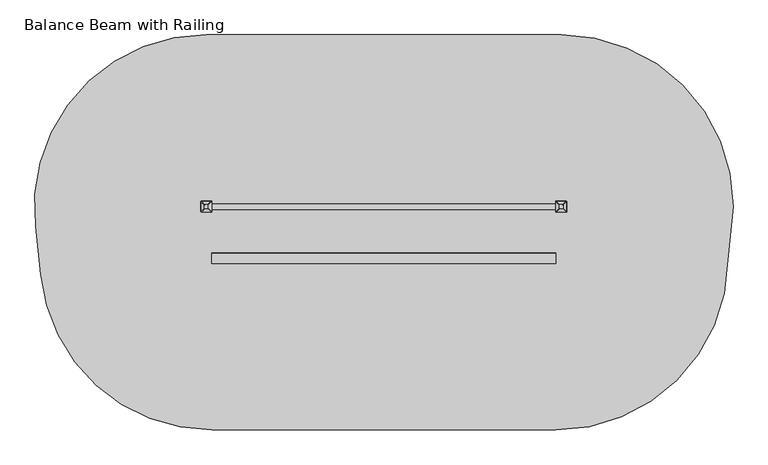
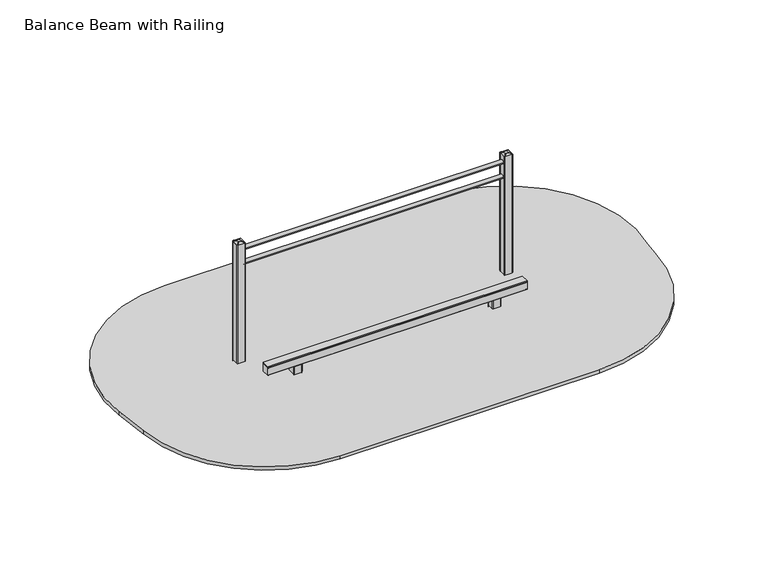
"""IFC4 building model written with IfcOpenShell, lengths in millimetres: furniture geometry, Balance Beam with Railing."""

from ifc_helpers import new_model, si_unit, point, frame, frame_2d, origin, place, context, project, spatial, polyline, circle_curve, trimmed, segment, composite_curve, outline, extrude, source, transform, mapped, element, save
from ifc_brep_helpers import plane_surface, cylinder_surface, extruded_surface, advanced_brep


def balance_beam_with_railing_280afe4c(model_context):
    return source(origin(), model_context, "Body", "SolidModel", [
        extrude(outline(composite_curve([segment(trimmed(circle_curve(frame_2d((-1107.5, -287.5)), 5.0), [point((-1102.5, -287.5))], [point((-1107.5, -292.5))], False, "CARTESIAN"), True, "CONTINUOUS"), segment(polyline([(-1107.5, -292.5), (-1192.5, -292.5)]), True, "CONTINUOUS"), segment(trimmed(circle_curve(frame_2d((-1192.5, -287.5)), 5.0), [point((-1192.5, -292.5))], [point((-1197.5, -287.5))], False, "CARTESIAN"), True, "CONTINUOUS"), segment(polyline([(-1197.5, -287.5), (-1197.5, -202.5)]), True, "CONTINUOUS"), segment(trimmed(circle_curve(frame_2d((-1192.5, -202.5)), 5.0), [point((-1197.5, -202.5))], [point((-1192.5, -197.5))], False, "CARTESIAN"), True, "CONTINUOUS"), segment(polyline([(-1192.5, -197.5), (-1107.5, -197.5)]), True, "CONTINUOUS"), segment(trimmed(circle_curve(frame_2d((-1107.5, -202.5)), 5.0), [point((-1107.5, -197.5))], [point((-1102.5, -202.5))], False, "CARTESIAN"), True, "CONTINUOUS"), segment(polyline([(-1102.5, -202.5), (-1102.5, -287.5)]), True, "CONTINUOUS")], self_intersect=False)), frame((0.0, 0.0, -599.9999847), z_axis=(0.0, 0.0, 1.0), x_axis=(1.0, 0.0, 0.0)), (0.0, 0.0, 1.0), 500.0),
        advanced_brep(
        [(-1060.0, -95.0, -599.9999847), (-1000.0, -155.0, -599.9999847), (-1000.0, -335.0, -599.9999847), (-1060.0, -395.0, -599.9999847), (-1240.0, -395.0, -599.9999847), (-1300.0, -335.0, -599.9999847), (-1300.0, -155.0, -599.9999847), (-1240.0, -95.0, -599.9999847), (-1240.0, -95.0, -459.9999847), (-1060.0, -95.0, -459.9999847), (-1300.0, -335.0, -459.9999847), (-1300.0, -155.0, -459.9999847), (-1060.0, -395.0, -459.9999847), (-1240.0, -395.0, -459.9999847), (-1000.0, -155.0, -459.9999847), (-1000.0, -335.0, -459.9999847), (-1162.2959549, -172.3010597, -249.9999847), (-1222.2959549, -232.3010597, -249.9999847), (-1222.2959549, -257.6989403, -249.9999847), (-1162.2959549, -317.6989403, -249.9999847), (-1137.7040451, -317.6989403, -249.9999847), (-1077.7040451, -257.6989403, -249.9999847), (-1077.7040451, -232.3010597, -249.9999847), (-1137.7040451, -172.3010597, -249.9999847)],
        [
            (0, 1, circle_curve(frame((-1060.0, -155.0, -599.9999847), z_axis=(0.0, 0.0, -1.0), x_axis=(1.0, 0.0, 0.0)), 60.0)),
            (1, 2),
            (2, 3, circle_curve(frame((-1060.0, -335.0, -599.9999847), z_axis=(0.0, 0.0, -1.0), x_axis=(1.0, 0.0, 0.0)), 60.0)),
            (3, 4),
            (4, 5, circle_curve(frame((-1240.0, -335.0, -599.9999847), z_axis=(0.0, 0.0, -1.0), x_axis=(1.0, 0.0, 0.0)), 60.0)),
            (5, 6),
            (6, 7, circle_curve(frame((-1240.0, -155.0, -599.9999847), z_axis=(0.0, 0.0, -1.0), x_axis=(1.0, 0.0, 0.0)), 60.0)),
            (7, 0),
            (7, 8),
            (8, 9),
            (9, 0),
            (5, 10),
            (10, 11),
            (11, 6),
            (3, 12),
            (12, 13),
            (13, 4),
            (1, 14),
            (14, 15),
            (15, 2),
            (16, 17, circle_curve(frame((-1162.2959549, -232.3010597, -249.9999847), z_axis=(0.0, 0.0, 1.0), x_axis=(1.0, 0.0, 0.0)), 60.0)),
            (17, 18),
            (18, 19, circle_curve(frame((-1162.2959549, -257.6989403, -249.9999847), z_axis=(0.0, 0.0, 1.0), x_axis=(1.0, 0.0, 0.0)), 60.0)),
            (19, 20),
            (20, 21, circle_curve(frame((-1137.7040451, -257.6989403, -249.9999847), z_axis=(0.0, 0.0, 1.0), x_axis=(1.0, 0.0, 0.0)), 60.0)),
            (21, 22),
            (22, 23, circle_curve(frame((-1137.7040451, -232.3010597, -249.9999847), z_axis=(0.0, 0.0, 1.0), x_axis=(1.0, 0.0, 0.0)), 60.0)),
            (23, 16),
            (17, 11),
            (10, 18),
            (19, 13),
            (12, 20),
            (21, 15),
            (14, 22),
            (23, 9),
            (8, 16),
            (11, 8, circle_curve(frame((-1240.0, -155.0, -459.9999847), z_axis=(0.0, 0.0, -1.0), x_axis=(1.0, 0.0, 0.0)), 60.0)),
            (13, 10, circle_curve(frame((-1240.0, -335.0, -459.9999847), z_axis=(0.0, 0.0, -1.0), x_axis=(1.0, 0.0, 0.0)), 60.0)),
            (15, 12, circle_curve(frame((-1060.0, -335.0, -459.9999847), z_axis=(0.0, 0.0, -1.0), x_axis=(1.0, 0.0, 0.0)), 60.0)),
            (9, 14, circle_curve(frame((-1060.0, -155.0, -459.9999847), z_axis=(0.0, 0.0, -1.0), x_axis=(1.0, 0.0, 0.0)), 60.0)),
        ],
        [
            plane_surface(frame((-1326.6329682, -95.0, -599.9999847), z_axis=(0.0, 0.0, -1.0), x_axis=(1.0, 0.0, 0.0))),
            plane_surface(frame((-1060.0, -95.0, -459.9999847), z_axis=(0.0, 1.0, 0.0), x_axis=(0.0, 0.0, -1.0))),
            plane_surface(frame((-1300.0, -155.0, -459.9999847), z_axis=(-1.0, 0.0, 0.0), x_axis=(0.0, 0.0, -1.0))),
            plane_surface(frame((-1240.0, -395.0, -459.9999847), z_axis=(0.0, -1.0, 0.0), x_axis=(0.0, 0.0, -1.0))),
            plane_surface(frame((-1000.0, -335.0, -459.9999847), z_axis=(1.0, 0.0, 0.0), x_axis=(0.0, 0.0, -1.0))),
            plane_surface(frame((-1150.0, -245.0, -249.9999847), z_axis=(0.0, 0.0, 1.0), x_axis=(-1.0, 0.0, 0.0))),
            plane_surface(frame((-1300.0, -245.0, -459.9999847), z_axis=(-0.9378559633153523, 0.0, 0.3470247715564883), x_axis=(0.0, -1.0, 0.0))),
            plane_surface(frame((-1150.0, -395.0, -459.9999847), z_axis=(0.0, -0.9384407279810882, 0.3454402988452927), x_axis=(1.0, 0.0, 0.0))),
            plane_surface(frame((-1000.0, -245.0, -459.9999847), z_axis=(0.9378559633153524, 0.0, 0.34702477155648764), x_axis=(0.0, 1.0, 0.0))),
            plane_surface(frame((-1150.0, -95.0, -459.9999847), z_axis=(0.0, 0.9384407279810884, 0.3454402988452924), x_axis=(-1.0, 0.0, 0.0))),
            cylinder_surface(frame((-1240.0, -155.0, -599.9999847), z_axis=(0.0, 0.0, 1.0), x_axis=(1.0, 0.0, 0.0)), 60.0),
            cylinder_surface(frame((-1240.0, -335.0, -599.9999847), z_axis=(0.0, 0.0, 1.0), x_axis=(1.0, 0.0, 0.0)), 60.0),
            cylinder_surface(frame((-1060.0, -335.0, -599.9999847), z_axis=(0.0, 0.0, 1.0), x_axis=(1.0, 0.0, 0.0)), 60.0),
            cylinder_surface(frame((-1060.0, -155.0, -599.9999847), z_axis=(0.0, 0.0, 1.0), x_axis=(1.0, 0.0, 0.0)), 60.0),
            extruded_surface(trimmed(circle_curve(frame((-1240.0, -155.0, -459.9999847), z_axis=(0.0, 0.0, 1.0), x_axis=(1.0, 0.0, 0.0)), 60.0), [point((-1240.0, -95.0, -459.9999847))], [point((-1300.0, -155.0, -459.9999847))], True, "CARTESIAN"), (77.70404510000003, -77.3010597, 210.00000000000003), 236.88261324049475),
            extruded_surface(trimmed(circle_curve(frame((-1060.0, -155.0, -459.9999847), z_axis=(0.0, 0.0, 1.0), x_axis=(1.0, 0.0, 0.0)), 60.0), [point((-1000.0, -155.0, -459.9999847))], [point((-1060.0, -95.0, -459.9999847))], True, "CARTESIAN"), (-77.70404510000003, -77.3010597, 210.00000000000003), 236.88261324049475),
            extruded_surface(trimmed(circle_curve(frame((-1240.0, -335.0, -459.9999847), z_axis=(0.0, 0.0, 1.0), x_axis=(1.0, 0.0, 0.0)), 60.0), [point((-1300.0, -335.0, -459.9999847))], [point((-1240.0, -395.0, -459.9999847))], True, "CARTESIAN"), (77.70404510000003, 77.3010597, 210.00000000000003), 236.88261324049475),
            extruded_surface(trimmed(circle_curve(frame((-1060.0, -335.0, -459.9999847), z_axis=(0.0, 0.0, 1.0), x_axis=(1.0, 0.0, 0.0)), 60.0), [point((-1060.0, -395.0, -459.9999847))], [point((-1000.0, -335.0, -459.9999847))], True, "CARTESIAN"), (-77.70404510000003, 77.3010597, 210.00000000000003), 236.88261324049475),
        ],
        [
            (0, [[1, 2, 3, 4, 5, 6, 7, 8]]),
            (1, [[-8, 9, 10, 11]]),
            (2, [[-6, 12, 13, 14]]),
            (3, [[-4, 15, 16, 17]]),
            (4, [[-2, 18, 19, 20]]),
            (5, [[21, 22, 23, 24, 25, 26, 27, 28]]),
            (6, [[-22, 29, -13, 30]]),
            (7, [[-24, 31, -16, 32]]),
            (8, [[-26, 33, -19, 34]]),
            (9, [[-28, 35, -10, 36]]),
            (10, [[-7, -14, 37, -9]]),
            (11, [[-5, -17, 38, -12]]),
            (12, [[-3, -20, 39, -15]]),
            (13, [[-1, -11, 40, -18]]),
            (14, [[-21, -36, -37, -29]]),
            (15, [[-27, -34, -40, -35]]),
            (16, [[-23, -30, -38, -31]]),
            (17, [[-25, -32, -39, -33]]),
        ],
    ),
        extrude(outline(composite_curve([segment(trimmed(circle_curve(frame_2d((1192.5, -287.5)), 5.0), [point((1197.5, -287.5))], [point((1192.5, -292.5))], False, "CARTESIAN"), True, "CONTINUOUS"), segment(polyline([(1192.5, -292.5), (1107.5, -292.5)]), True, "CONTINUOUS"), segment(trimmed(circle_curve(frame_2d((1107.5, -287.5)), 5.0), [point((1107.5, -292.5))], [point((1102.5, -287.5))], False, "CARTESIAN"), True, "CONTINUOUS"), segment(polyline([(1102.5, -287.5), (1102.5, -202.5)]), True, "CONTINUOUS"), segment(trimmed(circle_curve(frame_2d((1107.5, -202.5)), 5.0), [point((1102.5, -202.5))], [point((1107.5, -197.5))], False, "CARTESIAN"), True, "CONTINUOUS"), segment(polyline([(1107.5, -197.5), (1192.5, -197.5)]), True, "CONTINUOUS"), segment(trimmed(circle_curve(frame_2d((1192.5, -202.5)), 5.0), [point((1192.5, -197.5))], [point((1197.5, -202.5))], False, "CARTESIAN"), True, "CONTINUOUS"), segment(polyline([(1197.5, -202.5), (1197.5, -287.5)]), True, "CONTINUOUS")], self_intersect=False)), frame((0.0, 0.0, -599.9999847), z_axis=(0.0, 0.0, 1.0), x_axis=(1.0, 0.0, 0.0)), (0.0, 0.0, 1.0), 500.0),
        advanced_brep(
        [(1240.0, -95.0, -599.9999847), (1300.0, -155.0, -599.9999847), (1300.0, -335.0, -599.9999847), (1240.0, -395.0, -599.9999847), (1060.0, -395.0, -599.9999847), (1000.0, -335.0, -599.9999847), (1000.0, -155.0, -599.9999847), (1060.0, -95.0, -599.9999847), (1060.0, -95.0, -459.9999847), (1240.0, -95.0, -459.9999847), (1000.0, -335.0, -459.9999847), (1000.0, -155.0, -459.9999847), (1240.0, -395.0, -459.9999847), (1060.0, -395.0, -459.9999847), (1300.0, -155.0, -459.9999847), (1300.0, -335.0, -459.9999847), (1137.7040451, -172.3010597, -249.9999847), (1077.7040451, -232.3010597, -249.9999847), (1077.7040451, -257.6989403, -249.9999847), (1137.7040451, -317.6989403, -249.9999847), (1162.2959549, -317.6989403, -249.9999847), (1222.2959549, -257.6989403, -249.9999847), (1222.2959549, -232.3010597, -249.9999847), (1162.2959549, -172.3010597, -249.9999847)],
        [
            (0, 1, circle_curve(frame((1240.0, -155.0, -599.9999847), z_axis=(0.0, 0.0, -1.0), x_axis=(1.0, 0.0, 0.0)), 60.0)),
            (1, 2),
            (2, 3, circle_curve(frame((1240.0, -335.0, -599.9999847), z_axis=(0.0, 0.0, -1.0), x_axis=(1.0, 0.0, 0.0)), 60.0)),
            (3, 4),
            (4, 5, circle_curve(frame((1060.0, -335.0, -599.9999847), z_axis=(0.0, 0.0, -1.0), x_axis=(1.0, 0.0, 0.0)), 60.0)),
            (5, 6),
            (6, 7, circle_curve(frame((1060.0, -155.0, -599.9999847), z_axis=(0.0, 0.0, -1.0), x_axis=(1.0, 0.0, 0.0)), 60.0)),
            (7, 0),
            (7, 8),
            (8, 9),
            (9, 0),
            (5, 10),
            (10, 11),
            (11, 6),
            (3, 12),
            (12, 13),
            (13, 4),
            (1, 14),
            (14, 15),
            (15, 2),
            (16, 17, circle_curve(frame((1137.7040451, -232.3010597, -249.9999847), z_axis=(0.0, 0.0, 1.0), x_axis=(1.0, 0.0, 0.0)), 60.0)),
            (17, 18),
            (18, 19, circle_curve(frame((1137.7040451, -257.6989403, -249.9999847), z_axis=(0.0, 0.0, 1.0), x_axis=(1.0, 0.0, 0.0)), 60.0)),
            (19, 20),
            (20, 21, circle_curve(frame((1162.2959549, -257.6989403, -249.9999847), z_axis=(0.0, 0.0, 1.0), x_axis=(1.0, 0.0, 0.0)), 60.0)),
            (21, 22),
            (22, 23, circle_curve(frame((1162.2959549, -232.3010597, -249.9999847), z_axis=(0.0, 0.0, 1.0), x_axis=(1.0, 0.0, 0.0)), 60.0)),
            (23, 16),
            (17, 11),
            (10, 18),
            (19, 13),
            (12, 20),
            (21, 15),
            (14, 22),
            (23, 9),
            (8, 16),
            (11, 8, circle_curve(frame((1060.0, -155.0, -459.9999847), z_axis=(0.0, 0.0, -1.0), x_axis=(1.0, 0.0, 0.0)), 60.0)),
            (13, 10, circle_curve(frame((1060.0, -335.0, -459.9999847), z_axis=(0.0, 0.0, -1.0), x_axis=(1.0, 0.0, 0.0)), 60.0)),
            (15, 12, circle_curve(frame((1240.0, -335.0, -459.9999847), z_axis=(0.0, 0.0, -1.0), x_axis=(1.0, 0.0, 0.0)), 60.0)),
            (9, 14, circle_curve(frame((1240.0, -155.0, -459.9999847), z_axis=(0.0, 0.0, -1.0), x_axis=(1.0, 0.0, 0.0)), 60.0)),
        ],
        [
            plane_surface(frame((973.3670318, -95.0, -599.9999847), z_axis=(0.0, 0.0, -1.0), x_axis=(1.0, 0.0, 0.0))),
            plane_surface(frame((1240.0, -95.0, -459.9999847), z_axis=(0.0, 1.0, 0.0), x_axis=(0.0, 0.0, -1.0))),
            plane_surface(frame((1000.0, -155.0, -459.9999847), z_axis=(-1.0, 0.0, 0.0), x_axis=(0.0, 0.0, -1.0))),
            plane_surface(frame((1060.0, -395.0, -459.9999847), z_axis=(0.0, -1.0, 0.0), x_axis=(0.0, 0.0, -1.0))),
            plane_surface(frame((1300.0, -335.0, -459.9999847), z_axis=(1.0, 0.0, 0.0), x_axis=(0.0, 0.0, -1.0))),
            plane_surface(frame((1150.0, -245.0, -249.9999847), z_axis=(0.0, 0.0, 1.0), x_axis=(-1.0, 0.0, 0.0))),
            plane_surface(frame((1000.0, -245.0, -459.9999847), z_axis=(-0.9378559633153523, 0.0, 0.3470247715564883), x_axis=(0.0, -1.0, 0.0))),
            plane_surface(frame((1150.0, -395.0, -459.9999847), z_axis=(0.0, -0.9384407279810882, 0.3454402988452927), x_axis=(1.0, 0.0, 0.0))),
            plane_surface(frame((1300.0, -245.0, -459.9999847), z_axis=(0.9378559633153524, 0.0, 0.34702477155648764), x_axis=(0.0, 1.0, 0.0))),
            plane_surface(frame((1150.0, -95.0, -459.9999847), z_axis=(0.0, 0.9384407279810884, 0.3454402988452924), x_axis=(-1.0, 0.0, 0.0))),
            cylinder_surface(frame((1060.0, -155.0, -599.9999847), z_axis=(0.0, 0.0, 1.0), x_axis=(1.0, 0.0, 0.0)), 60.0),
            cylinder_surface(frame((1060.0, -335.0, -599.9999847), z_axis=(0.0, 0.0, 1.0), x_axis=(1.0, 0.0, 0.0)), 60.0),
            cylinder_surface(frame((1240.0, -335.0, -599.9999847), z_axis=(0.0, 0.0, 1.0), x_axis=(1.0, 0.0, 0.0)), 60.0),
            cylinder_surface(frame((1240.0, -155.0, -599.9999847), z_axis=(0.0, 0.0, 1.0), x_axis=(1.0, 0.0, 0.0)), 60.0),
            extruded_surface(trimmed(circle_curve(frame((1060.0, -155.0, -459.9999847), z_axis=(0.0, 0.0, 1.0), x_axis=(1.0, 0.0, 0.0)), 60.0), [point((1060.0, -95.0, -459.9999847))], [point((1000.0, -155.0, -459.9999847))], True, "CARTESIAN"), (77.70404510000003, -77.3010597, 210.00000000000003), 236.88261324049475),
            extruded_surface(trimmed(circle_curve(frame((1240.0, -155.0, -459.9999847), z_axis=(0.0, 0.0, 1.0), x_axis=(1.0, 0.0, 0.0)), 60.0), [point((1300.0, -155.0, -459.9999847))], [point((1240.0, -95.0, -459.9999847))], True, "CARTESIAN"), (-77.70404510000003, -77.3010597, 210.00000000000003), 236.88261324049475),
            extruded_surface(trimmed(circle_curve(frame((1060.0, -335.0, -459.9999847), z_axis=(0.0, 0.0, 1.0), x_axis=(1.0, 0.0, 0.0)), 60.0), [point((1000.0, -335.0, -459.9999847))], [point((1060.0, -395.0, -459.9999847))], True, "CARTESIAN"), (77.70404510000003, 77.3010597, 210.00000000000003), 236.88261324049475),
            extruded_surface(trimmed(circle_curve(frame((1240.0, -335.0, -459.9999847), z_axis=(0.0, 0.0, 1.0), x_axis=(1.0, 0.0, 0.0)), 60.0), [point((1240.0, -395.0, -459.9999847))], [point((1300.0, -335.0, -459.9999847))], True, "CARTESIAN"), (-77.70404510000003, 77.3010597, 210.00000000000003), 236.88261324049475),
        ],
        [
            (0, [[1, 2, 3, 4, 5, 6, 7, 8]]),
            (1, [[-8, 9, 10, 11]]),
            (2, [[-6, 12, 13, 14]]),
            (3, [[-4, 15, 16, 17]]),
            (4, [[-2, 18, 19, 20]]),
            (5, [[21, 22, 23, 24, 25, 26, 27, 28]]),
            (6, [[-22, 29, -13, 30]]),
            (7, [[-24, 31, -16, 32]]),
            (8, [[-26, 33, -19, 34]]),
            (9, [[-28, 35, -10, 36]]),
            (10, [[-7, -14, 37, -9]]),
            (11, [[-5, -17, 38, -12]]),
            (12, [[-3, -20, 39, -15]]),
            (13, [[-1, -11, 40, -18]]),
            (14, [[-21, -36, -37, -29]]),
            (15, [[-27, -34, -40, -35]]),
            (16, [[-23, -30, -38, -31]]),
            (17, [[-25, -32, -39, -33]]),
        ],
    ),
        advanced_brep(
        [(1565.0, 192.5, 1465.0), (1565.0, 217.5, 1465.0), (1560.0, 222.5, 1465.0), (1535.0, 222.5, 1465.0), (1530.0, 217.5, 1465.0), (1530.0, 192.5, 1465.0), (1535.0, 187.5, 1465.0), (1560.0, 187.5, 1465.0), (1595.0, 162.5, 1450.0), (1590.0, 157.5, 1450.0), (1505.0, 157.5, 1450.0), (1500.0, 162.5, 1450.0), (1500.0, 247.5, 1450.0), (1505.0, 252.5, 1450.0), (1590.0, 252.5, 1450.0), (1595.0, 247.5, 1450.0)],
        [
            (0, 1),
            (1, 2, circle_curve(frame((1560.0, 217.5, 1465.0), z_axis=(0.0, 0.0, 1.0), x_axis=(1.0, 0.0, 0.0)), 5.0)),
            (2, 3),
            (3, 4, circle_curve(frame((1535.0, 217.5, 1465.0), z_axis=(0.0, 0.0, 1.0), x_axis=(1.0, 0.0, 0.0)), 5.0)),
            (4, 5),
            (5, 6, circle_curve(frame((1535.0, 192.5, 1465.0), z_axis=(0.0, 0.0, 1.0), x_axis=(1.0, 0.0, 0.0)), 5.0)),
            (6, 7),
            (7, 0, circle_curve(frame((1560.0, 192.5, 1465.0), z_axis=(0.0, 0.0, 1.0), x_axis=(1.0, 0.0, 0.0)), 5.0)),
            (8, 9, circle_curve(frame((1590.0, 162.5, 1450.0), z_axis=(0.0, 0.0, -1.0), x_axis=(1.0, 0.0, 0.0)), 5.0)),
            (9, 10),
            (10, 11, circle_curve(frame((1505.0, 162.5, 1450.0), z_axis=(0.0, 0.0, -1.0), x_axis=(1.0, 0.0, 0.0)), 5.0)),
            (11, 12),
            (12, 13, circle_curve(frame((1505.0, 247.5, 1450.0), z_axis=(0.0, 0.0, -1.0), x_axis=(1.0, 0.0, 0.0)), 5.0)),
            (13, 14),
            (14, 15, circle_curve(frame((1590.0, 247.5, 1450.0), z_axis=(0.0, 0.0, -1.0), x_axis=(1.0, 0.0, 0.0)), 5.0)),
            (15, 8),
            (15, 1),
            (0, 8),
            (14, 2),
            (13, 3),
            (12, 4),
            (11, 5),
            (10, 6),
            (9, 7),
        ],
        [
            plane_surface(frame((1547.5, 205.0, 1465.0), z_axis=(0.0, 0.0, 1.0), x_axis=(-1.0, 0.0, 0.0))),
            plane_surface(frame((1547.5, 205.0, 1450.0), z_axis=(0.0, 0.0, -1.0), x_axis=(-1.0, 0.0, 0.0))),
            plane_surface(frame((1595.0, 205.0, 1450.0), z_axis=(0.447213595499958, 0.0, 0.894427190999916), x_axis=(0.0, 1.0, 0.0))),
            extruded_surface(trimmed(circle_curve(frame((1590.0, 247.5, 1450.0), z_axis=(0.0, 0.0, 1.0), x_axis=(1.0, 0.0, 0.0)), 5.0), [point((1595.0, 247.5, 1450.0))], [point((1590.0, 252.5, 1450.0))], True, "CARTESIAN"), (-30.0, -30.0, 15.0), 45.0),
            plane_surface(frame((1547.5, 252.5, 1450.0), z_axis=(0.0, 0.447213595499958, 0.894427190999916), x_axis=(-1.0, 0.0, 0.0))),
            extruded_surface(trimmed(circle_curve(frame((1505.0, 247.5, 1450.0), z_axis=(0.0, 0.0, 1.0), x_axis=(1.0, 0.0, 0.0)), 5.0), [point((1505.0, 252.5, 1450.0))], [point((1500.0, 247.5, 1450.0))], True, "CARTESIAN"), (30.0, -30.0, 15.0), 45.0),
            plane_surface(frame((1500.0, 205.0, 1450.0), z_axis=(-0.447213595499958, 0.0, 0.894427190999916), x_axis=(0.0, -1.0, 0.0))),
            extruded_surface(trimmed(circle_curve(frame((1505.0, 162.5, 1450.0), z_axis=(0.0, 0.0, 1.0), x_axis=(1.0, 0.0, 0.0)), 5.0), [point((1500.0, 162.5, 1450.0))], [point((1505.0, 157.5, 1450.0))], True, "CARTESIAN"), (30.0, 30.0, 15.0), 45.0),
            plane_surface(frame((1547.5, 157.5, 1450.0), z_axis=(0.0, -0.447213595499958, 0.894427190999916), x_axis=(1.0, 0.0, 0.0))),
            extruded_surface(trimmed(circle_curve(frame((1590.0, 162.5, 1450.0), z_axis=(0.0, 0.0, 1.0), x_axis=(1.0, 0.0, 0.0)), 5.0), [point((1590.0, 157.5, 1450.0))], [point((1595.0, 162.5, 1450.0))], True, "CARTESIAN"), (-30.0, 30.0, 15.0), 45.0),
        ],
        [
            (0, [[1, 2, 3, 4, 5, 6, 7, 8]]),
            (1, [[9, 10, 11, 12, 13, 14, 15, 16]]),
            (2, [[-16, 17, -1, 18]]),
            (3, [[-15, 19, -2, -17]]),
            (4, [[-14, 20, -3, -19]]),
            (5, [[-13, 21, -4, -20]]),
            (6, [[-12, 22, -5, -21]]),
            (7, [[-11, 23, -6, -22]]),
            (8, [[-10, 24, -7, -23]]),
            (9, [[-9, -18, -8, -24]]),
        ],
    ),
        advanced_brep(
        [(-1530.0, 192.5, 1465.0), (-1530.0, 217.5, 1465.0), (-1535.0, 222.5, 1465.0), (-1560.0, 222.5, 1465.0), (-1565.0, 217.5, 1465.0), (-1565.0, 192.5, 1465.0), (-1560.0, 187.5, 1465.0), (-1535.0, 187.5, 1465.0), (-1500.0, 162.5, 1450.0), (-1505.0, 157.5, 1450.0), (-1590.0, 157.5, 1450.0), (-1595.0, 162.5, 1450.0), (-1595.0, 247.5, 1450.0), (-1590.0, 252.5, 1450.0), (-1505.0, 252.5, 1450.0), (-1500.0, 247.5, 1450.0)],
        [
            (0, 1),
            (1, 2, circle_curve(frame((-1535.0, 217.5, 1465.0), z_axis=(0.0, 0.0, 1.0), x_axis=(1.0, 0.0, 0.0)), 5.0)),
            (2, 3),
            (3, 4, circle_curve(frame((-1560.0, 217.5, 1465.0), z_axis=(0.0, 0.0, 1.0), x_axis=(1.0, 0.0, 0.0)), 5.0)),
            (4, 5),
            (5, 6, circle_curve(frame((-1560.0, 192.5, 1465.0), z_axis=(0.0, 0.0, 1.0), x_axis=(1.0, 0.0, 0.0)), 5.0)),
            (6, 7),
            (7, 0, circle_curve(frame((-1535.0, 192.5, 1465.0), z_axis=(0.0, 0.0, 1.0), x_axis=(1.0, 0.0, 0.0)), 5.0)),
            (8, 9, circle_curve(frame((-1505.0, 162.5, 1450.0), z_axis=(0.0, 0.0, -1.0), x_axis=(1.0, 0.0, 0.0)), 5.0)),
            (9, 10),
            (10, 11, circle_curve(frame((-1590.0, 162.5, 1450.0), z_axis=(0.0, 0.0, -1.0), x_axis=(1.0, 0.0, 0.0)), 5.0)),
            (11, 12),
            (12, 13, circle_curve(frame((-1590.0, 247.5, 1450.0), z_axis=(0.0, 0.0, -1.0), x_axis=(1.0, 0.0, 0.0)), 5.0)),
            (13, 14),
            (14, 15, circle_curve(frame((-1505.0, 247.5, 1450.0), z_axis=(0.0, 0.0, -1.0), x_axis=(1.0, 0.0, 0.0)), 5.0)),
            (15, 8),
            (15, 1),
            (0, 8),
            (14, 2),
            (13, 3),
            (12, 4),
            (11, 5),
            (10, 6),
            (9, 7),
        ],
        [
            plane_surface(frame((-1547.5, 205.0, 1465.0), z_axis=(0.0, 0.0, 1.0), x_axis=(-1.0, 0.0, 0.0))),
            plane_surface(frame((-1547.5, 205.0, 1450.0), z_axis=(0.0, 0.0, -1.0), x_axis=(-1.0, 0.0, 0.0))),
            plane_surface(frame((-1500.0, 205.0, 1450.0), z_axis=(0.447213595499958, 0.0, 0.894427190999916), x_axis=(0.0, 1.0, 0.0))),
            extruded_surface(trimmed(circle_curve(frame((-1505.0, 247.5, 1450.0), z_axis=(0.0, 0.0, 1.0), x_axis=(1.0, 0.0, 0.0)), 5.0), [point((-1500.0, 247.5, 1450.0))], [point((-1505.0, 252.5, 1450.0))], True, "CARTESIAN"), (-30.0, -30.0, 15.0), 45.0),
            plane_surface(frame((-1547.5, 252.5, 1450.0), z_axis=(0.0, 0.447213595499958, 0.894427190999916), x_axis=(-1.0, 0.0, 0.0))),
            extruded_surface(trimmed(circle_curve(frame((-1590.0, 247.5, 1450.0), z_axis=(0.0, 0.0, 1.0), x_axis=(1.0, 0.0, 0.0)), 5.0), [point((-1590.0, 252.5, 1450.0))], [point((-1595.0, 247.5, 1450.0))], True, "CARTESIAN"), (30.0, -30.0, 15.0), 45.0),
            plane_surface(frame((-1595.0, 205.0, 1450.0), z_axis=(-0.447213595499958, 0.0, 0.894427190999916), x_axis=(0.0, -1.0, 0.0))),
            extruded_surface(trimmed(circle_curve(frame((-1590.0, 162.5, 1450.0), z_axis=(0.0, 0.0, 1.0), x_axis=(1.0, 0.0, 0.0)), 5.0), [point((-1595.0, 162.5, 1450.0))], [point((-1590.0, 157.5, 1450.0))], True, "CARTESIAN"), (30.0, 30.0, 15.0), 45.0),
            plane_surface(frame((-1547.5, 157.5, 1450.0), z_axis=(0.0, -0.447213595499958, 0.894427190999916), x_axis=(1.0, 0.0, 0.0))),
            extruded_surface(trimmed(circle_curve(frame((-1505.0, 162.5, 1450.0), z_axis=(0.0, 0.0, 1.0), x_axis=(1.0, 0.0, 0.0)), 5.0), [point((-1505.0, 157.5, 1450.0))], [point((-1500.0, 162.5, 1450.0))], True, "CARTESIAN"), (-30.0, 30.0, 15.0), 45.0),
        ],
        [
            (0, [[1, 2, 3, 4, 5, 6, 7, 8]]),
            (1, [[9, 10, 11, 12, 13, 14, 15, 16]]),
            (2, [[-16, 17, -1, 18]]),
            (3, [[-15, 19, -2, -17]]),
            (4, [[-14, 20, -3, -19]]),
            (5, [[-13, 21, -4, -20]]),
            (6, [[-12, 22, -5, -21]]),
            (7, [[-11, 23, -6, -22]]),
            (8, [[-10, 24, -7, -23]]),
            (9, [[-9, -18, -8, -24]]),
        ],
    ),
        extrude(outline(composite_curve([segment(trimmed(circle_curve(frame_2d((1590.0, 162.5)), 5.0), [point((1595.0, 162.5))], [point((1590.0, 157.5))], False, "CARTESIAN"), True, "CONTINUOUS"), segment(polyline([(1590.0, 157.5), (1505.0, 157.5)]), True, "CONTINUOUS"), segment(trimmed(circle_curve(frame_2d((1505.0, 162.5)), 5.0), [point((1505.0, 157.5))], [point((1500.0, 162.5))], False, "CARTESIAN"), True, "CONTINUOUS"), segment(polyline([(1500.0, 162.5), (1500.0, 247.5)]), True, "CONTINUOUS"), segment(trimmed(circle_curve(frame_2d((1505.0, 247.5)), 5.0), [point((1500.0, 247.5))], [point((1505.0, 252.5))], False, "CARTESIAN"), True, "CONTINUOUS"), segment(polyline([(1505.0, 252.5), (1590.0, 252.5)]), True, "CONTINUOUS"), segment(trimmed(circle_curve(frame_2d((1590.0, 247.5)), 5.0), [point((1590.0, 252.5))], [point((1595.0, 247.5))], False, "CARTESIAN"), True, "CONTINUOUS"), segment(polyline([(1595.0, 247.5), (1595.0, 162.5)]), True, "CONTINUOUS")], self_intersect=False)), frame((0.0, 0.0, -599.9999847), z_axis=(0.0, 0.0, 1.0), x_axis=(1.0, 0.0, 0.0)), (0.0, 0.0, 1.0), 500.0),
        advanced_brep(
        [(1637.5, 355.0, -599.9999847), (1697.5, 295.0, -599.9999847), (1697.5, 115.0, -599.9999847), (1637.5, 55.0, -599.9999847), (1457.5, 55.0, -599.9999847), (1397.5, 115.0, -599.9999847), (1397.5, 295.0, -599.9999847), (1457.5, 355.0, -599.9999847), (1457.5, 355.0, -459.9999847), (1637.5, 355.0, -459.9999847), (1397.5, 115.0, -459.9999847), (1397.5, 295.0, -459.9999847), (1637.5, 55.0, -459.9999847), (1457.5, 55.0, -459.9999847), (1697.5, 295.0, -459.9999847), (1697.5, 115.0, -459.9999847), (1535.2040451, 277.6989403, -249.9999847), (1475.2040451, 217.6989403, -249.9999847), (1475.2040451, 192.3010597, -249.9999847), (1535.2040451, 132.3010597, -249.9999847), (1559.7959549, 132.3010597, -249.9999847), (1619.7959549, 192.3010597, -249.9999847), (1619.7959549, 217.6989403, -249.9999847), (1559.7959549, 277.6989403, -249.9999847)],
        [
            (0, 1, circle_curve(frame((1637.5, 295.0, -599.9999847), z_axis=(0.0, 0.0, -1.0), x_axis=(1.0, 0.0, 0.0)), 60.0)),
            (1, 2),
            (2, 3, circle_curve(frame((1637.5, 115.0, -599.9999847), z_axis=(0.0, 0.0, -1.0), x_axis=(1.0, 0.0, 0.0)), 60.0)),
            (3, 4),
            (4, 5, circle_curve(frame((1457.5, 115.0, -599.9999847), z_axis=(0.0, 0.0, -1.0), x_axis=(1.0, 0.0, 0.0)), 60.0)),
            (5, 6),
            (6, 7, circle_curve(frame((1457.5, 295.0, -599.9999847), z_axis=(0.0, 0.0, -1.0), x_axis=(1.0, 0.0, 0.0)), 60.0)),
            (7, 0),
            (7, 8),
            (8, 9),
            (9, 0),
            (5, 10),
            (10, 11),
            (11, 6),
            (3, 12),
            (12, 13),
            (13, 4),
            (1, 14),
            (14, 15),
            (15, 2),
            (16, 17, circle_curve(frame((1535.2040451, 217.6989403, -249.9999847), z_axis=(0.0, 0.0, 1.0), x_axis=(1.0, 0.0, 0.0)), 60.0)),
            (17, 18),
            (18, 19, circle_curve(frame((1535.2040451, 192.3010597, -249.9999847), z_axis=(0.0, 0.0, 1.0), x_axis=(1.0, 0.0, 0.0)), 60.0)),
            (19, 20),
            (20, 21, circle_curve(frame((1559.7959549, 192.3010597, -249.9999847), z_axis=(0.0, 0.0, 1.0), x_axis=(1.0, 0.0, 0.0)), 60.0)),
            (21, 22),
            (22, 23, circle_curve(frame((1559.7959549, 217.6989403, -249.9999847), z_axis=(0.0, 0.0, 1.0), x_axis=(1.0, 0.0, 0.0)), 60.0)),
            (23, 16),
            (17, 11),
            (10, 18),
            (19, 13),
            (12, 20),
            (21, 15),
            (14, 22),
            (23, 9),
            (8, 16),
            (11, 8, circle_curve(frame((1457.5, 295.0, -459.9999847), z_axis=(0.0, 0.0, -1.0), x_axis=(1.0, 0.0, 0.0)), 60.0)),
            (13, 10, circle_curve(frame((1457.5, 115.0, -459.9999847), z_axis=(0.0, 0.0, -1.0), x_axis=(1.0, 0.0, 0.0)), 60.0)),
            (15, 12, circle_curve(frame((1637.5, 115.0, -459.9999847), z_axis=(0.0, 0.0, -1.0), x_axis=(1.0, 0.0, 0.0)), 60.0)),
            (9, 14, circle_curve(frame((1637.5, 295.0, -459.9999847), z_axis=(0.0, 0.0, -1.0), x_axis=(1.0, 0.0, 0.0)), 60.0)),
        ],
        [
            plane_surface(frame((1370.8670318, 355.0, -599.9999847), z_axis=(0.0, 0.0, -1.0), x_axis=(1.0, 0.0, 0.0))),
            plane_surface(frame((1637.5, 355.0, -459.9999847), z_axis=(0.0, 1.0, 0.0), x_axis=(0.0, 0.0, -1.0))),
            plane_surface(frame((1397.5, 295.0, -459.9999847), z_axis=(-1.0, 0.0, 0.0), x_axis=(0.0, 0.0, -1.0))),
            plane_surface(frame((1457.5, 55.0, -459.9999847), z_axis=(0.0, -1.0, 0.0), x_axis=(0.0, 0.0, -1.0))),
            plane_surface(frame((1697.5, 115.0, -459.9999847), z_axis=(1.0, 0.0, 0.0), x_axis=(0.0, 0.0, -1.0))),
            plane_surface(frame((1547.5, 205.0, -249.9999847), z_axis=(0.0, 0.0, 1.0), x_axis=(-1.0, 0.0, 0.0))),
            plane_surface(frame((1397.5, 205.0, -459.9999847), z_axis=(-0.9378559633153523, 0.0, 0.3470247715564883), x_axis=(0.0, -1.0, 0.0))),
            plane_surface(frame((1547.5, 55.0, -459.9999847), z_axis=(0.0, -0.9384407279810882, 0.3454402988452927), x_axis=(1.0, 0.0, 0.0))),
            plane_surface(frame((1697.5, 205.0, -459.9999847), z_axis=(0.9378559633153524, 0.0, 0.34702477155648764), x_axis=(0.0, 1.0, 0.0))),
            plane_surface(frame((1547.5, 355.0, -459.9999847), z_axis=(0.0, 0.9384407279810884, 0.3454402988452924), x_axis=(-1.0, 0.0, 0.0))),
            cylinder_surface(frame((1457.5, 295.0, -599.9999847), z_axis=(0.0, 0.0, 1.0), x_axis=(1.0, 0.0, 0.0)), 60.0),
            cylinder_surface(frame((1457.5, 115.0, -599.9999847), z_axis=(0.0, 0.0, 1.0), x_axis=(1.0, 0.0, 0.0)), 60.0),
            cylinder_surface(frame((1637.5, 115.0, -599.9999847), z_axis=(0.0, 0.0, 1.0), x_axis=(1.0, 0.0, 0.0)), 60.0),
            cylinder_surface(frame((1637.5, 295.0, -599.9999847), z_axis=(0.0, 0.0, 1.0), x_axis=(1.0, 0.0, 0.0)), 60.0),
            extruded_surface(trimmed(circle_curve(frame((1457.5, 295.0, -459.9999847), z_axis=(0.0, 0.0, 1.0), x_axis=(1.0, 0.0, 0.0)), 60.0), [point((1457.5, 355.0, -459.9999847))], [point((1397.5, 295.0, -459.9999847))], True, "CARTESIAN"), (77.70404510000003, -77.3010597, 210.00000000000003), 236.88261324049475),
            extruded_surface(trimmed(circle_curve(frame((1637.5, 295.0, -459.9999847), z_axis=(0.0, 0.0, 1.0), x_axis=(1.0, 0.0, 0.0)), 60.0), [point((1697.5, 295.0, -459.9999847))], [point((1637.5, 355.0, -459.9999847))], True, "CARTESIAN"), (-77.70404510000003, -77.3010597, 210.00000000000003), 236.88261324049475),
            extruded_surface(trimmed(circle_curve(frame((1457.5, 115.0, -459.9999847), z_axis=(0.0, 0.0, 1.0), x_axis=(1.0, 0.0, 0.0)), 60.0), [point((1397.5, 115.0, -459.9999847))], [point((1457.5, 55.0, -459.9999847))], True, "CARTESIAN"), (77.70404510000003, 77.3010597, 210.00000000000003), 236.88261324049475),
            extruded_surface(trimmed(circle_curve(frame((1637.5, 115.0, -459.9999847), z_axis=(0.0, 0.0, 1.0), x_axis=(1.0, 0.0, 0.0)), 60.0), [point((1637.5, 55.0, -459.9999847))], [point((1697.5, 115.0, -459.9999847))], True, "CARTESIAN"), (-77.70404510000003, 77.3010597, 210.00000000000003), 236.88261324049475),
        ],
        [
            (0, [[1, 2, 3, 4, 5, 6, 7, 8]]),
            (1, [[-8, 9, 10, 11]]),
            (2, [[-6, 12, 13, 14]]),
            (3, [[-4, 15, 16, 17]]),
            (4, [[-2, 18, 19, 20]]),
            (5, [[21, 22, 23, 24, 25, 26, 27, 28]]),
            (6, [[-22, 29, -13, 30]]),
            (7, [[-24, 31, -16, 32]]),
            (8, [[-26, 33, -19, 34]]),
            (9, [[-28, 35, -10, 36]]),
            (10, [[-7, -14, 37, -9]]),
            (11, [[-5, -17, 38, -12]]),
            (12, [[-3, -20, 39, -15]]),
            (13, [[-1, -11, 40, -18]]),
            (14, [[-21, -36, -37, -29]]),
            (15, [[-27, -34, -40, -35]]),
            (16, [[-23, -30, -38, -31]]),
            (17, [[-25, -32, -39, -33]]),
        ],
    ),
        extrude(outline(composite_curve([segment(trimmed(circle_curve(frame_2d((-1505.0, 162.5)), 5.0), [point((-1500.0, 162.5))], [point((-1505.0, 157.5))], False, "CARTESIAN"), True, "CONTINUOUS"), segment(polyline([(-1505.0, 157.5), (-1590.0, 157.5)]), True, "CONTINUOUS"), segment(trimmed(circle_curve(frame_2d((-1590.0, 162.5)), 5.0), [point((-1590.0, 157.5))], [point((-1595.0, 162.5))], False, "CARTESIAN"), True, "CONTINUOUS"), segment(polyline([(-1595.0, 162.5), (-1595.0, 247.5)]), True, "CONTINUOUS"), segment(trimmed(circle_curve(frame_2d((-1590.0, 247.5)), 5.0), [point((-1595.0, 247.5))], [point((-1590.0, 252.5))], False, "CARTESIAN"), True, "CONTINUOUS"), segment(polyline([(-1590.0, 252.5), (-1505.0, 252.5)]), True, "CONTINUOUS"), segment(trimmed(circle_curve(frame_2d((-1505.0, 247.5)), 5.0), [point((-1505.0, 252.5))], [point((-1500.0, 247.5))], False, "CARTESIAN"), True, "CONTINUOUS"), segment(polyline([(-1500.0, 247.5), (-1500.0, 162.5)]), True, "CONTINUOUS")], self_intersect=False)), frame((0.0, 0.0, -599.9999847), z_axis=(0.0, 0.0, 1.0), x_axis=(1.0, 0.0, 0.0)), (0.0, 0.0, 1.0), 500.0),
        advanced_brep(
        [(-1457.5, 355.0, -599.9999847), (-1397.5, 295.0, -599.9999847), (-1397.5, 115.0, -599.9999847), (-1457.5, 55.0, -599.9999847), (-1637.5, 55.0, -599.9999847), (-1697.5, 115.0, -599.9999847), (-1697.5, 295.0, -599.9999847), (-1637.5, 355.0, -599.9999847), (-1637.5, 355.0, -459.9999847), (-1457.5, 355.0, -459.9999847), (-1697.5, 115.0, -459.9999847), (-1697.5, 295.0, -459.9999847), (-1457.5, 55.0, -459.9999847), (-1637.5, 55.0, -459.9999847), (-1397.5, 295.0, -459.9999847), (-1397.5, 115.0, -459.9999847), (-1559.7959549, 277.6989403, -249.9999847), (-1619.7959549, 217.6989403, -249.9999847), (-1619.7959549, 192.3010597, -249.9999847), (-1559.7959549, 132.3010597, -249.9999847), (-1535.2040451, 132.3010597, -249.9999847), (-1475.2040451, 192.3010597, -249.9999847), (-1475.2040451, 217.6989403, -249.9999847), (-1535.2040451, 277.6989403, -249.9999847)],
        [
            (0, 1, circle_curve(frame((-1457.5, 295.0, -599.9999847), z_axis=(0.0, 0.0, -1.0), x_axis=(1.0, 0.0, 0.0)), 60.0)),
            (1, 2),
            (2, 3, circle_curve(frame((-1457.5, 115.0, -599.9999847), z_axis=(0.0, 0.0, -1.0), x_axis=(1.0, 0.0, 0.0)), 60.0)),
            (3, 4),
            (4, 5, circle_curve(frame((-1637.5, 115.0, -599.9999847), z_axis=(0.0, 0.0, -1.0), x_axis=(1.0, 0.0, 0.0)), 60.0)),
            (5, 6),
            (6, 7, circle_curve(frame((-1637.5, 295.0, -599.9999847), z_axis=(0.0, 0.0, -1.0), x_axis=(1.0, 0.0, 0.0)), 60.0)),
            (7, 0),
            (7, 8),
            (8, 9),
            (9, 0),
            (5, 10),
            (10, 11),
            (11, 6),
            (3, 12),
            (12, 13),
            (13, 4),
            (1, 14),
            (14, 15),
            (15, 2),
            (16, 17, circle_curve(frame((-1559.7959549, 217.6989403, -249.9999847), z_axis=(0.0, 0.0, 1.0), x_axis=(1.0, 0.0, 0.0)), 60.0)),
            (17, 18),
            (18, 19, circle_curve(frame((-1559.7959549, 192.3010597, -249.9999847), z_axis=(0.0, 0.0, 1.0), x_axis=(1.0, 0.0, 0.0)), 60.0)),
            (19, 20),
            (20, 21, circle_curve(frame((-1535.2040451, 192.3010597, -249.9999847), z_axis=(0.0, 0.0, 1.0), x_axis=(1.0, 0.0, 0.0)), 60.0)),
            (21, 22),
            (22, 23, circle_curve(frame((-1535.2040451, 217.6989403, -249.9999847), z_axis=(0.0, 0.0, 1.0), x_axis=(1.0, 0.0, 0.0)), 60.0)),
            (23, 16),
            (17, 11),
            (10, 18),
            (19, 13),
            (12, 20),
            (21, 15),
            (14, 22),
            (23, 9),
            (8, 16),
            (11, 8, circle_curve(frame((-1637.5, 295.0, -459.9999847), z_axis=(0.0, 0.0, -1.0), x_axis=(1.0, 0.0, 0.0)), 60.0)),
            (13, 10, circle_curve(frame((-1637.5, 115.0, -459.9999847), z_axis=(0.0, 0.0, -1.0), x_axis=(1.0, 0.0, 0.0)), 60.0)),
            (15, 12, circle_curve(frame((-1457.5, 115.0, -459.9999847), z_axis=(0.0, 0.0, -1.0), x_axis=(1.0, 0.0, 0.0)), 60.0)),
            (9, 14, circle_curve(frame((-1457.5, 295.0, -459.9999847), z_axis=(0.0, 0.0, -1.0), x_axis=(1.0, 0.0, 0.0)), 60.0)),
        ],
        [
            plane_surface(frame((-1724.1329682, 355.0, -599.9999847), z_axis=(0.0, 0.0, -1.0), x_axis=(1.0, 0.0, 0.0))),
            plane_surface(frame((-1457.5, 355.0, -459.9999847), z_axis=(0.0, 1.0, 0.0), x_axis=(0.0, 0.0, -1.0))),
            plane_surface(frame((-1697.5, 295.0, -459.9999847), z_axis=(-1.0, 0.0, 0.0), x_axis=(0.0, 0.0, -1.0))),
            plane_surface(frame((-1637.5, 55.0, -459.9999847), z_axis=(0.0, -1.0, 0.0), x_axis=(0.0, 0.0, -1.0))),
            plane_surface(frame((-1397.5, 115.0, -459.9999847), z_axis=(1.0, 0.0, 0.0), x_axis=(0.0, 0.0, -1.0))),
            plane_surface(frame((-1547.5, 205.0, -249.9999847), z_axis=(0.0, 0.0, 1.0), x_axis=(-1.0, 0.0, 0.0))),
            plane_surface(frame((-1697.5, 205.0, -459.9999847), z_axis=(-0.9378559633153523, 0.0, 0.3470247715564883), x_axis=(0.0, -1.0, 0.0))),
            plane_surface(frame((-1547.5, 55.0, -459.9999847), z_axis=(0.0, -0.9384407279810882, 0.3454402988452927), x_axis=(1.0, 0.0, 0.0))),
            plane_surface(frame((-1397.5, 205.0, -459.9999847), z_axis=(0.9378559633153524, 0.0, 0.34702477155648764), x_axis=(0.0, 1.0, 0.0))),
            plane_surface(frame((-1547.5, 355.0, -459.9999847), z_axis=(0.0, 0.9384407279810884, 0.3454402988452924), x_axis=(-1.0, 0.0, 0.0))),
            cylinder_surface(frame((-1637.5, 295.0, -599.9999847), z_axis=(0.0, 0.0, 1.0), x_axis=(1.0, 0.0, 0.0)), 60.0),
            cylinder_surface(frame((-1637.5, 115.0, -599.9999847), z_axis=(0.0, 0.0, 1.0), x_axis=(1.0, 0.0, 0.0)), 60.0),
            cylinder_surface(frame((-1457.5, 115.0, -599.9999847), z_axis=(0.0, 0.0, 1.0), x_axis=(1.0, 0.0, 0.0)), 60.0),
            cylinder_surface(frame((-1457.5, 295.0, -599.9999847), z_axis=(0.0, 0.0, 1.0), x_axis=(1.0, 0.0, 0.0)), 60.0),
            extruded_surface(trimmed(circle_curve(frame((-1637.5, 295.0, -459.9999847), z_axis=(0.0, 0.0, 1.0), x_axis=(1.0, 0.0, 0.0)), 60.0), [point((-1637.5, 355.0, -459.9999847))], [point((-1697.5, 295.0, -459.9999847))], True, "CARTESIAN"), (77.70404510000003, -77.3010597, 210.00000000000003), 236.88261324049475),
            extruded_surface(trimmed(circle_curve(frame((-1457.5, 295.0, -459.9999847), z_axis=(0.0, 0.0, 1.0), x_axis=(1.0, 0.0, 0.0)), 60.0), [point((-1397.5, 295.0, -459.9999847))], [point((-1457.5, 355.0, -459.9999847))], True, "CARTESIAN"), (-77.70404510000003, -77.3010597, 210.00000000000003), 236.88261324049475),
            extruded_surface(trimmed(circle_curve(frame((-1637.5, 115.0, -459.9999847), z_axis=(0.0, 0.0, 1.0), x_axis=(1.0, 0.0, 0.0)), 60.0), [point((-1697.5, 115.0, -459.9999847))], [point((-1637.5, 55.0, -459.9999847))], True, "CARTESIAN"), (77.70404510000003, 77.3010597, 210.00000000000003), 236.88261324049475),
            extruded_surface(trimmed(circle_curve(frame((-1457.5, 115.0, -459.9999847), z_axis=(0.0, 0.0, 1.0), x_axis=(1.0, 0.0, 0.0)), 60.0), [point((-1457.5, 55.0, -459.9999847))], [point((-1397.5, 115.0, -459.9999847))], True, "CARTESIAN"), (-77.70404510000003, 77.3010597, 210.00000000000003), 236.88261324049475),
        ],
        [
            (0, [[1, 2, 3, 4, 5, 6, 7, 8]]),
            (1, [[-8, 9, 10, 11]]),
            (2, [[-6, 12, 13, 14]]),
            (3, [[-4, 15, 16, 17]]),
            (4, [[-2, 18, 19, 20]]),
            (5, [[21, 22, 23, 24, 25, 26, 27, 28]]),
            (6, [[-22, 29, -13, 30]]),
            (7, [[-24, 31, -16, 32]]),
            (8, [[-26, 33, -19, 34]]),
            (9, [[-28, 35, -10, 36]]),
            (10, [[-7, -14, 37, -9]]),
            (11, [[-5, -17, 38, -12]]),
            (12, [[-3, -20, 39, -15]]),
            (13, [[-1, -11, 40, -18]]),
            (14, [[-21, -36, -37, -29]]),
            (15, [[-27, -34, -40, -35]]),
            (16, [[-23, -30, -38, -31]]),
            (17, [[-25, -32, -39, -33]]),
        ],
    ),
        extrude(outline(polyline([(1500.5, -197.5), (1500.5, -292.5), (-1500.0485473, -292.5), (-1500.0485473, -197.5), (1500.5, -197.5)])), frame((0.0, 0.0, 195.0), z_axis=(0.0, 0.0, 1.0), x_axis=(1.0, 0.0, 0.0)), (0.0, 0.0, 1.0), 12.0),
        extrude(outline(composite_curve([segment(polyline([(-197.5, 190.0), (-197.5, 105.0)]), True, "CONTINUOUS"), segment(trimmed(circle_curve(frame_2d((-202.5, 105.0)), 5.0), [point((-197.5, 105.0))], [point((-202.5, 100.0))], False, "CARTESIAN"), True, "CONTINUOUS"), segment(polyline([(-202.5, 100.0), (-287.5, 100.0)]), True, "CONTINUOUS"), segment(trimmed(circle_curve(frame_2d((-287.5, 105.0)), 5.0), [point((-287.5, 100.0))], [point((-292.5, 105.0))], False, "CARTESIAN"), True, "CONTINUOUS"), segment(polyline([(-292.5, 105.0), (-292.5, 190.0)]), True, "CONTINUOUS"), segment(trimmed(circle_curve(frame_2d((-287.5, 190.0)), 5.0), [point((-292.5, 190.0))], [point((-287.5, 195.0))], False, "CARTESIAN"), True, "CONTINUOUS"), segment(polyline([(-287.5, 195.0), (-202.5, 195.0)]), True, "CONTINUOUS"), segment(trimmed(circle_curve(frame_2d((-202.5, 190.0)), 5.0), [point((-202.5, 195.0))], [point((-197.5, 190.0))], False, "CARTESIAN"), True, "CONTINUOUS")], self_intersect=False)), frame((-1500.0485473, 0.0, 0.0), z_axis=(1.0, 0.0, 0.0), x_axis=(0.0, 1.0, 0.0)), (0.0, 0.0, 1.0), 3000.5485473),
        extrude(outline(composite_curve([segment(trimmed(circle_curve(frame_2d((-1192.5, -202.5)), 5.0), [point((-1197.5, -202.5))], [point((-1192.5, -197.5))], False, "CARTESIAN"), True, "CONTINUOUS"), segment(polyline([(-1192.5, -197.5), (-1107.5, -197.5)]), True, "CONTINUOUS"), segment(trimmed(circle_curve(frame_2d((-1107.5, -202.5)), 5.0), [point((-1107.5, -197.5))], [point((-1102.5, -202.5))], False, "CARTESIAN"), True, "CONTINUOUS"), segment(polyline([(-1102.5, -202.5), (-1102.5, -287.5)]), True, "CONTINUOUS"), segment(trimmed(circle_curve(frame_2d((-1107.5, -287.5)), 5.0), [point((-1102.5, -287.5))], [point((-1107.5, -292.5))], False, "CARTESIAN"), True, "CONTINUOUS"), segment(polyline([(-1107.5, -292.5), (-1192.5, -292.5)]), True, "CONTINUOUS"), segment(trimmed(circle_curve(frame_2d((-1192.5, -287.5)), 5.0), [point((-1192.5, -292.5))], [point((-1197.5, -287.5))], False, "CARTESIAN"), True, "CONTINUOUS"), segment(polyline([(-1197.5, -287.5), (-1197.5, -202.5)]), True, "CONTINUOUS")], self_intersect=False)), frame((0.0, 0.0, -100.0), z_axis=(0.0, 0.0, 1.0), x_axis=(1.0, 0.0, 0.0)), (0.0, 0.0, 1.0), 200.0),
        extrude(outline(composite_curve([segment(polyline([(1107.5, -197.5), (1192.5, -197.5)]), True, "CONTINUOUS"), segment(trimmed(circle_curve(frame_2d((1192.5, -202.5)), 5.0), [point((1192.5, -197.5))], [point((1197.5, -202.5))], False, "CARTESIAN"), True, "CONTINUOUS"), segment(polyline([(1197.5, -202.5), (1197.5, -287.5)]), True, "CONTINUOUS"), segment(trimmed(circle_curve(frame_2d((1192.5, -287.5)), 5.0), [point((1197.5, -287.5))], [point((1192.5, -292.5))], False, "CARTESIAN"), True, "CONTINUOUS"), segment(polyline([(1192.5, -292.5), (1107.5, -292.5)]), True, "CONTINUOUS"), segment(trimmed(circle_curve(frame_2d((1107.5, -287.5)), 5.0), [point((1107.5, -292.5))], [point((1102.5, -287.5))], False, "CARTESIAN"), True, "CONTINUOUS"), segment(polyline([(1102.5, -287.5), (1102.5, -202.5)]), True, "CONTINUOUS"), segment(trimmed(circle_curve(frame_2d((1107.5, -202.5)), 5.0), [point((1102.5, -202.5))], [point((1107.5, -197.5))], False, "CARTESIAN"), True, "CONTINUOUS")], self_intersect=False)), frame((0.0, 0.0, -100.0), z_axis=(0.0, 0.0, 1.0), x_axis=(1.0, 0.0, 0.0)), (0.0, 0.0, 1.0), 200.0),
        extrude(outline(composite_curve([segment(trimmed(circle_curve(frame_2d((205.0, 1365.0)), 24.0), [point((181.0, 1365.0))], [point((229.0, 1365.0))], False, "CARTESIAN"), True, "CONTINUOUS"), segment(trimmed(circle_curve(frame_2d((205.0, 1365.0)), 24.0), [point((229.0, 1365.0))], [point((181.0, 1365.0))], False, "CARTESIAN"), True, "CONTINUOUS")], self_intersect=False)), frame((-1500.0, 0.0, 0.0), z_axis=(1.0, 0.0, 0.0), x_axis=(0.0, 1.0, 0.0)), (0.0, 0.0, 1.0), 3000.0),
        extrude(outline(composite_curve([segment(trimmed(circle_curve(frame_2d((205.0, 1187.0)), 24.0), [point((181.0, 1187.0))], [point((229.0, 1187.0))], False, "CARTESIAN"), True, "CONTINUOUS"), segment(trimmed(circle_curve(frame_2d((205.0, 1187.0)), 24.0), [point((229.0, 1187.0))], [point((181.0, 1187.0))], False, "CARTESIAN"), True, "CONTINUOUS")], self_intersect=False)), frame((-1500.0, 0.0, 0.0), z_axis=(1.0, 0.0, 0.0), x_axis=(0.0, 1.0, 0.0)), (0.0, 0.0, 1.0), 3000.0),
        extrude(outline(composite_curve([segment(polyline([(-1590.0, 252.5), (-1505.0, 252.5)]), True, "CONTINUOUS"), segment(trimmed(circle_curve(frame_2d((-1505.0, 247.5)), 5.0), [point((-1505.0, 252.5))], [point((-1500.0, 247.5))], False, "CARTESIAN"), True, "CONTINUOUS"), segment(polyline([(-1500.0, 247.5), (-1500.0, 162.5)]), True, "CONTINUOUS"), segment(trimmed(circle_curve(frame_2d((-1505.0, 162.5)), 5.0), [point((-1500.0, 162.5))], [point((-1505.0, 157.5))], False, "CARTESIAN"), True, "CONTINUOUS"), segment(polyline([(-1505.0, 157.5), (-1590.0, 157.5)]), True, "CONTINUOUS"), segment(trimmed(circle_curve(frame_2d((-1590.0, 162.5)), 5.0), [point((-1590.0, 157.5))], [point((-1595.0, 162.5))], False, "CARTESIAN"), True, "CONTINUOUS"), segment(polyline([(-1595.0, 162.5), (-1595.0, 247.5)]), True, "CONTINUOUS"), segment(trimmed(circle_curve(frame_2d((-1590.0, 247.5)), 5.0), [point((-1595.0, 247.5))], [point((-1590.0, 252.5))], False, "CARTESIAN"), True, "CONTINUOUS")], self_intersect=False)), frame((0.0, 0.0, -100.0), z_axis=(0.0, 0.0, 1.0), x_axis=(1.0, 0.0, 0.0)), (0.0, 0.0, 1.0), 1550.0),
        extrude(outline(composite_curve([segment(trimmed(circle_curve(frame_2d((1505.0, 247.5)), 5.0), [point((1500.0, 247.5))], [point((1505.0, 252.5))], False, "CARTESIAN"), True, "CONTINUOUS"), segment(polyline([(1505.0, 252.5), (1590.0, 252.5)]), True, "CONTINUOUS"), segment(trimmed(circle_curve(frame_2d((1590.0, 247.5)), 5.0), [point((1590.0, 252.5))], [point((1595.0, 247.5))], False, "CARTESIAN"), True, "CONTINUOUS"), segment(polyline([(1595.0, 247.5), (1595.0, 162.5)]), True, "CONTINUOUS"), segment(trimmed(circle_curve(frame_2d((1590.0, 162.5)), 5.0), [point((1595.0, 162.5))], [point((1590.0, 157.5))], False, "CARTESIAN"), True, "CONTINUOUS"), segment(polyline([(1590.0, 157.5), (1505.0, 157.5)]), True, "CONTINUOUS"), segment(trimmed(circle_curve(frame_2d((1505.0, 162.5)), 5.0), [point((1505.0, 157.5))], [point((1500.0, 162.5))], False, "CARTESIAN"), True, "CONTINUOUS"), segment(polyline([(1500.0, 162.5), (1500.0, 247.5)]), True, "CONTINUOUS")], self_intersect=False)), frame((0.0, 0.0, -100.0), z_axis=(0.0, 0.0, 1.0), x_axis=(1.0, 0.0, 0.0)), (0.0, 0.0, 1.0), 1550.0),
        extrude(outline(composite_curve([segment(trimmed(circle_curve(frame_2d((1547.5, 205.0)), 1500.0), [point((1547.5, 1705.0))], [point((3018.4756593, -88.6504893))], False, "CARTESIAN"), True, "CONTINUOUS"), segment(trimmed(circle_curve(frame_2d((3937.096436, -272.0345166)), 936.746408), [point((3018.4756593, -88.6504893))], [point((3000.407681, -261.6417707))], True, "CARTESIAN"), True, "CONTINUOUS"), segment(trimmed(circle_curve(frame_2d((1500.5, -245.0)), 1500.0), [point((3000.407681, -261.6417707))], [point((1500.5, -1745.0))], False, "CARTESIAN"), True, "CONTINUOUS"), segment(polyline([(1500.5, -1745.0), (-1500.0485473, -1745.0)]), True, "CONTINUOUS"), segment(trimmed(circle_curve(frame_2d((-1500.0485473, -245.0)), 1500.0), [point((-1500.0485473, -1745.0))], [point((-2993.301061, -387.1159046))], False, "CARTESIAN"), True, "CONTINUOUS"), segment(trimmed(circle_curve(frame_2d((-23640.0058169, -2352.1051461)), 20740.0), [point((-2993.301061, -387.1159046))], [point((-3037.552101, 32.5333759))], True, "CARTESIAN"), True, "CONTINUOUS"), segment(trimmed(circle_curve(frame_2d((-1547.5, 205.0)), 1500.0), [point((-3037.552101, 32.5333759))], [point((-1547.5, 1705.0))], False, "CARTESIAN"), True, "CONTINUOUS"), segment(polyline([(-1547.5, 1705.0), (1547.5, 1705.0)]), True, "CONTINUOUS")], self_intersect=False)), frame((0.0, 0.0, -40.0), z_axis=(0.0, 0.0, 1.0), x_axis=(1.0, 0.0, 0.0)), (0.0, 0.0, 1.0), 41.0),
    ])


if __name__ == "__main__":
    model = new_model("IFC4")
    model_context = context("Model", 3, world=origin())
    ifc_project = project(units=[si_unit("LENGTHUNIT", "METRE", prefix="MILLI")], contexts=[model_context])
    site = spatial("IfcSite", under=ifc_project)
    building = spatial("IfcBuilding", under=site)
    placement = place(None, origin())
    balance_beam_with_railing_shape = balance_beam_with_railing_280afe4c(model_context)
    element("IfcFurniture", 1, ObjectType="Balance Beam with Railing", at=placement, inside=building, context=model_context, shape_type="MappedRepresentation", body=[
        mapped(balance_beam_with_railing_shape, transform((0.0, 0.0, 0.0), x_axis=(1.0, 0.0, 0.0), y_axis=(0.0, 1.0, 0.0), z_axis=(0.0, 0.0, 1.0))),
    ])
    save(model, "model.ifc")
